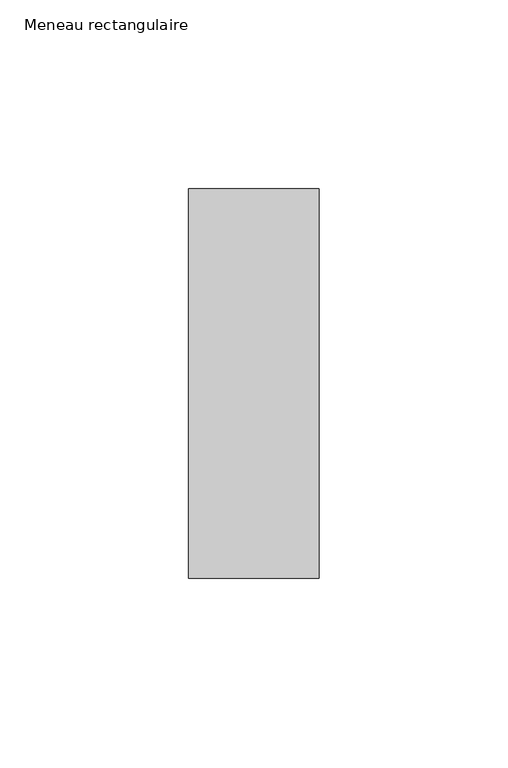
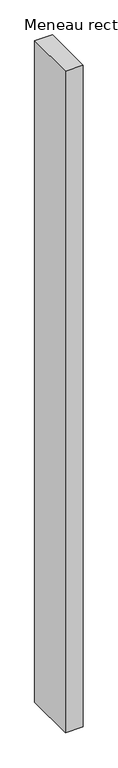
"""IFC4 building model written with IfcOpenShell, lengths in millimetres: member geometry, Meneau rectangulaire."""

import ifcopenshell
import ifcopenshell.guid

model = None  # the IFC model being written
_history = None  # IfcOwnerHistory: only IFC2X3 demands one
_inside = {}  # id of a spatial element -> (the spatial element, [elements in it])
_under = {}  # id of a project, library or spatial element -> (it, [spatial elements below it])
_declared = {}  # id of a project -> (the project, [libraries it declares])
_typed = {}  # id of a type object -> (the type object, [elements of that type])
_made_of = {}  # id of a material, layer set ... -> (it, [elements and type objects made of it])


def new_model(schema):
    """Start an empty IFC model of exactly this schema.

    Asked for "IFC4X3", IfcOpenShell would pick the latest addendum, in which some entities
    have other attributes; the version numbers below select the first issue.
    IFC2X3 requires an IfcOwnerHistory on every rooted entity: one is made here for all.
    """
    global model, _history
    if schema == "IFC4X3":
        model = ifcopenshell.file(schema_version=(4, 3, 0, 0))
    else:
        model = ifcopenshell.file(schema=schema)
    _inside.clear()
    _under.clear()
    _declared.clear()
    _typed.clear()
    _made_of.clear()
    _history = None
    if model.schema == "IFC2X3":
        org = make("IfcOrganization", Name="unknown")
        user = make(
            "IfcPersonAndOrganization",
            ThePerson=make("IfcPerson", FamilyName="unknown"),
            TheOrganization=org,
        )
        app = make(
            "IfcApplication",
            ApplicationDeveloper=org,
            Version="unknown",
            ApplicationFullName="unknown",
            ApplicationIdentifier="unknown",
        )
        _history = make(
            "IfcOwnerHistory",
            OwningUser=user,
            OwningApplication=app,
            ChangeAction="ADDED",
            CreationDate=0,
        )
    return model


def make(cls, **values):
    """One entity of the class cls with the attributes given. An attribute that is None is left unset."""
    return model.create_entity(
        cls, **{name: value for name, value in values.items() if value is not None}
    )


def rooted(cls, **values):
    """An entity with a GlobalId (a new one), such as an element, a storey or a relation."""
    return make(cls, GlobalId=ifcopenshell.guid.new(), OwnerHistory=_history, **values)


def si_unit(unit_type, name, prefix=None):
    """IfcSIUnit, for example si_unit("LENGTHUNIT", "METRE", prefix="MILLI")."""
    return make("IfcSIUnit", UnitType=unit_type, Prefix=prefix, Name=name)


def assignment(units):
    """IfcUnitAssignment: the units of a project."""
    return None if units is None else make("IfcUnitAssignment", Units=units)


def point(xyz):
    """IfcCartesianPoint."""
    return None if xyz is None else make("IfcCartesianPoint", Coordinates=xyz)


def direction(xyz):
    """IfcDirection."""
    return None if xyz is None else make("IfcDirection", DirectionRatios=xyz)


def frame(location, z_axis=None, x_axis=None):
    """IfcAxis2Placement3D, a coordinate frame: its origin and axes. An axis left out is left unset."""
    return make(
        "IfcAxis2Placement3D",
        Location=point(location),
        Axis=direction(z_axis),
        RefDirection=direction(x_axis),
    )


def origin():
    """The frame at (0, 0, 0) with its axes left unset."""
    return frame((0.0, 0.0, 0.0))


def place(relative_to, where):
    """IfcLocalPlacement: puts the frame where relative to a parent placement (None: the world)."""
    return make(
        "IfcLocalPlacement", PlacementRelTo=relative_to, RelativePlacement=where
    )


def context(
    kind, dimensions, precision=None, world=None, true_north=None, identifier=None
):
    """IfcGeometricRepresentationContext, for example the 3D "Model" context."""
    return make(
        "IfcGeometricRepresentationContext",
        ContextIdentifier=identifier,
        ContextType=kind,
        CoordinateSpaceDimension=dimensions,
        Precision=precision,
        WorldCoordinateSystem=world,
        TrueNorth=true_north,
    )


def project(units=None, contexts=None):
    """IfcProject with its units and contexts."""
    return rooted(
        "IfcProject",
        Name="project",
        RepresentationContexts=contexts,
        UnitsInContext=assignment(units),
    )


def spatial(cls, under=None, at=None, **own):
    """A site, building, storey or space (cls), placed at a placement, below another one or the project."""
    s = rooted(cls, ObjectPlacement=at, **own)
    if under is not None:
        _under.setdefault(under.id(), (under, []))[1].append(s)
    return s


def polyline(points):
    """IfcPolyline through the points."""
    return make("IfcPolyline", Points=[point(p) for p in points])


def outline(outer, holes=None, kind="AREA"):
    """IfcArbitraryClosedProfileDef: a profile drawn as a closed curve; with holes, ...WithVoids."""
    if holes is None:
        return make("IfcArbitraryClosedProfileDef", ProfileType=kind, OuterCurve=outer)
    return make(
        "IfcArbitraryProfileDefWithVoids",
        ProfileType=kind,
        OuterCurve=outer,
        InnerCurves=holes,
    )


def extrude(swept, where, along, depth):
    """IfcExtrudedAreaSolid: the profile swept, set in the frame where, extruded along a direction by depth."""
    return make(
        "IfcExtrudedAreaSolid",
        SweptArea=swept,
        Position=where,
        ExtrudedDirection=direction(along),
        Depth=depth,
    )


def shape(context_of_items, identifier, shape_type, items):
    """IfcShapeRepresentation: the items that make up one representation, for example the "Body"."""
    return make(
        "IfcShapeRepresentation",
        ContextOfItems=context_of_items,
        RepresentationIdentifier=identifier,
        RepresentationType=shape_type,
        Items=items,
    )


def source(mapping_origin, context_of_items, identifier, shape_type, items):
    """IfcRepresentationMap: a shape defined once, which mapped items show again and again."""
    return make(
        "IfcRepresentationMap",
        MappingOrigin=mapping_origin,
        MappedRepresentation=shape(context_of_items, identifier, shape_type, items),
    )


def transform(
    local_origin,
    x_axis=None,
    y_axis=None,
    z_axis=None,
    scale=None,
    scale2=None,
    scale3=None,
    uniform=True,
):
    """IfcCartesianTransformationOperator3D, or its non-uniform kind. x_axis, y_axis, z_axis: its Axis1, 2, 3."""
    if uniform:
        return make(
            "IfcCartesianTransformationOperator3D",
            Axis1=direction(x_axis),
            Axis2=direction(y_axis),
            LocalOrigin=point(local_origin),
            Scale=scale,
            Axis3=direction(z_axis),
        )
    return make(
        "IfcCartesianTransformationOperator3DnonUniform",
        Axis1=direction(x_axis),
        Axis2=direction(y_axis),
        LocalOrigin=point(local_origin),
        Scale=scale,
        Axis3=direction(z_axis),
        Scale2=scale2,
        Scale3=scale3,
    )


def mapped(mapping_source, mapping_target):
    """IfcMappedItem: shows the shape of a source again, moved by a transform."""
    return make(
        "IfcMappedItem", MappingSource=mapping_source, MappingTarget=mapping_target
    )


def made_of(thing, what):
    """Note that an element or type object is made of a material, layer set ...; save() writes the relation."""
    if what is not None:
        _made_of.setdefault(what.id(), (what, []))[1].append(thing)
    return thing


def element(
    cls,
    number,
    at=None,
    inside=None,
    cuts=None,
    type_object=None,
    material=None,
    context=None,
    identifier="Body",
    shape_type=None,
    held_by="IfcProductDefinitionShape",
    body=None,
    shapes=None,
    **own,
):
    """One element of the class cls, such as IfcWall. Its Tag is "e" and its number.

    at: its placement. inside: the storey or other place that contains it. cuts: it is an
    opening in that element (IfcRelVoidsElement). A single representation is given by context,
    identifier, shape_type and body (its items); several are given by shapes. held_by: the class
    of the entity that holds the representations. save() writes the other relations.
    """
    e = rooted(cls, Tag="e%d" % number, ObjectPlacement=at, **own)
    if body is not None:
        shapes = [shape(context, identifier, shape_type, body)]
    if shapes is not None:
        e.Representation = make(held_by, Representations=shapes)
    if inside is not None:
        _inside.setdefault(inside.id(), (inside, []))[1].append(e)
    if cuts is not None:
        rooted(
            "IfcRelVoidsElement", RelatingBuildingElement=cuts, RelatedOpeningElement=e
        )
    if type_object is not None:
        _typed.setdefault(type_object.id(), (type_object, []))[1].append(e)
    return made_of(e, material)


def aggregate(whole, parts):
    """IfcRelAggregates: a whole, such as a stair, and the parts it consists of."""
    return rooted("IfcRelAggregates", RelatingObject=whole, RelatedObjects=parts)


def save(model, path):
    """Write the relations noted so far, then the file.

    IfcRelAggregates (storeys below a building ...), IfcRelContainedInSpatialStructure (elements
    in a storey), IfcRelDefinesByType, IfcRelAssociatesMaterial and IfcRelDeclares: one each for
    every whole, place, type object, material and project.
    """
    for whole, parts in _under.values():
        aggregate(whole, parts)
    for where, things in _inside.values():
        rooted(
            "IfcRelContainedInSpatialStructure",
            RelatedElements=things,
            RelatingStructure=where,
        )
    for kind, things in _typed.values():
        rooted("IfcRelDefinesByType", RelatedObjects=things, RelatingType=kind)
    for what, things in _made_of.values():
        rooted("IfcRelAssociatesMaterial", RelatedObjects=things, RelatingMaterial=what)
    for by, libraries in _declared.values():
        rooted("IfcRelDeclares", RelatingContext=by, RelatedDefinitions=libraries)
    model.write(path)


def meneau_rectangulaire_ce9d88b5(model_context):
    return source(origin(), model_context, "Body", "SweptSolid", [
        extrude(outline(polyline([(0.0, 51.5), (0.0, -51.5), (-34.5, -51.5), (-34.5, 51.5), (0.0, 51.5)])), frame((0.0, 0.0, -1356.9166666), z_axis=(0.0, 0.0, 1.0), x_axis=(1.0, 0.0, 0.0)), (0.0, 0.0, 1.0), 1356.9166666),
    ])


if __name__ == "__main__":
    model = new_model("IFC4")
    model_context = context("Model", 3, world=origin())
    ifc_project = project(units=[si_unit("LENGTHUNIT", "METRE", prefix="MILLI")], contexts=[model_context])
    site = spatial("IfcSite", under=ifc_project)
    building = spatial("IfcBuilding", under=site)
    placement = place(None, origin())
    meneau_rectangulaire_shape = meneau_rectangulaire_ce9d88b5(model_context)
    element("IfcMember", 1, ObjectType="Meneau rectangulaire", at=placement, inside=building, context=model_context, shape_type="MappedRepresentation", body=[
        mapped(meneau_rectangulaire_shape, transform((0.0, 0.0, 0.0), x_axis=(1.0, 0.0, 0.0), y_axis=(0.0, 1.0, 0.0), z_axis=(0.0, 0.0, 1.0))),
    ])
    save(model, "model.ifc")
